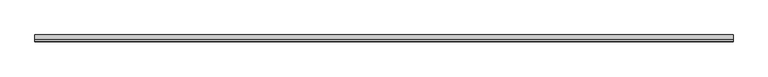
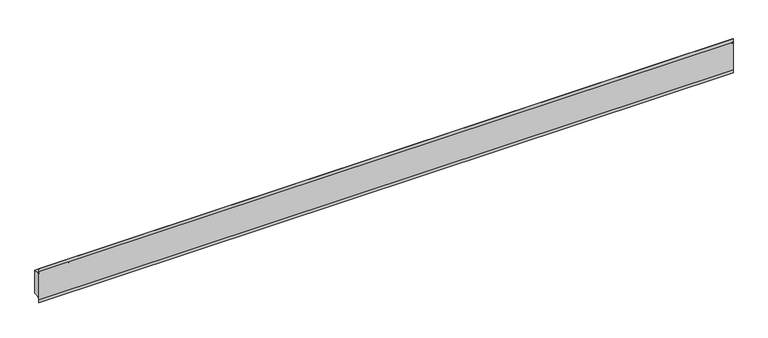
"""IFC4 building model written with IfcOpenShell, lengths in millimetres: proxy geometry."""

from ifc_helpers import new_model, si_unit, point, frame, frame_2d, origin, place, context, project, spatial, polyline, circle_curve, trimmed, segment, composite_curve, outline, extrude, source, transform, mapped, element, save
from ifc_brep_helpers import plane_surface, revolved_surface, advanced_brep


def generic_models_c17b22f0(model_context):
    return source(origin(), model_context, "Body", "SolidModel", [
        advanced_brep(
        [(1598.6385846, -28180.69409, 1536.4163574), (1598.6385846, -28180.69409, 1451.3059303), (1598.6385846, -28196.5284676, 1451.3059303), (1598.6385846, -28204.3526411, 1443.4817568), (1598.6385846, -28204.3538523, 1544.2405309), (1598.6385846, -28196.5284676, 1536.4163574), (3998.6385846, -28180.69409, 1536.4163574), (3998.6385846, -28196.5284676, 1536.4163574), (3998.6385846, -28204.3526411, 1544.2405309), (3998.6385846, -28204.3538523, 1443.4817568), (3998.6385846, -28196.5284676, 1451.3059303), (3998.6385846, -28180.69409, 1451.3059303)],
        [
            (0, 1),
            (1, 2),
            (2, 3, circle_curve(frame((1598.6385846, -28196.5284676, 1443.4817568), z_axis=(1.0, 0.0, 0.0), x_axis=(0.0, -1.0, 0.0)), 7.8241735)),
            (3, 4),
            (4, 5, circle_curve(frame((1598.6385846, -28196.5284676, 1544.2405309), z_axis=(1.0, 0.0, 0.0), x_axis=(0.0, -1.0, 0.0)), 7.8241735)),
            (5, 0),
            (6, 7),
            (7, 8, circle_curve(frame((3998.6385846, -28196.5284676, 1544.2405309), z_axis=(-1.0, 0.0, 0.0), x_axis=(0.0, -1.0, 0.0)), 7.8241735)),
            (8, 9),
            (9, 10, circle_curve(frame((3998.6385846, -28196.5284676, 1443.4817568), z_axis=(-1.0, 0.0, 0.0), x_axis=(0.0, -1.0, 0.0)), 7.8241735)),
            (10, 11),
            (11, 6),
            (0, 6),
            (11, 1),
            (3, 9),
            (8, 4),
            (5, 7),
            (10, 2),
        ],
        [
            plane_surface(frame((1598.6385846, -28154.3538523, -151.7660963), z_axis=(-1.0, 0.0, 0.0), x_axis=(0.0, 0.0, 1.0))),
            plane_surface(frame((3998.6385846, -28154.3538523, -151.7660963), z_axis=(1.0, 0.0, 0.0), x_axis=(0.0, 0.0, 1.0))),
            plane_surface(frame((1598.6385846, -28180.69409, 1536.4163574), z_axis=(0.0, 1.0, 0.0), x_axis=(1.0, 0.0, 0.0))),
            plane_surface(frame((1598.6385846, -28204.3538523, 1443.4817568), z_axis=(0.0, -1.0, 0.0), x_axis=(1.0, 0.0, 0.0))),
            plane_surface(frame((1598.6385846, -28196.5284676, 1536.4163574), z_axis=(0.0, 0.0, 1.0), x_axis=(1.0, 0.0, 0.0))),
            plane_surface(frame((1598.6385846, -28180.69409, 1451.3059303), z_axis=(0.0, 0.0, -1.0), x_axis=(1.0, 0.0, 0.0))),
            revolved_surface(polyline([(3998.6385846000003, -28204.352641100002, 1443.4817568), (1598.6385846, -28204.352641100002, 1443.4817568)]), (1598.6385846, -28196.5284676, 1443.4817568), (1.0, 0.0, 0.0)),
            revolved_surface(polyline([(3998.6385846000003, -28204.352641100002, 1544.2405309), (1598.6385846, -28204.352641100002, 1544.2405309)]), (1598.6385846, -28196.5284676, 1544.2405309), (1.0, 0.0, 0.0)),
        ],
        [
            (0, [[1, 2, 3, 4, 5, 6]]),
            (1, [[7, 8, 9, 10, 11, 12]]),
            (2, [[-1, 13, -12, 14]]),
            (3, [[-4, 15, -9, 16]]),
            (4, [[-6, 17, -7, -13]]),
            (5, [[-2, -14, -11, 18]]),
            (6, [[-3, -18, -10, -15]]),
            (7, [[-5, -16, -8, -17]]),
        ],
    ),
        extrude(outline(composite_curve([segment(polyline([(-28204.3538523, 1544.241742), (-28204.3538523, 1555.9700576), (-28203.3538523, 1555.9700576), (-28203.3538523, 1544.241742)]), True, "CONTINUOUS"), segment(trimmed(circle_curve(frame_2d((-28196.5284676, 1544.241742)), 6.8253847), [point((-28203.3538523, 1544.241742))], [point((-28196.5284676, 1537.4163574))], True, "CARTESIAN"), True, "CONTINUOUS"), segment(polyline([(-28196.5284676, 1537.4163574), (-28196.5284676, 1536.4163574)]), True, "CONTINUOUS"), segment(trimmed(circle_curve(frame_2d((-28196.5284676, 1544.241742)), 7.8253847), [point((-28196.5284676, 1536.4163574))], [point((-28204.3538523, 1544.241742))], False, "CARTESIAN"), True, "CONTINUOUS")], self_intersect=False)), frame((1598.6385846, 0.0, 0.0), z_axis=(1.0, 0.0, 0.0), x_axis=(0.0, 1.0, 0.0)), (0.0, 0.0, 1.0), 2400.0),
        extrude(outline(composite_curve([segment(trimmed(circle_curve(frame_2d((-28196.5284676, 1443.4805456)), 7.8253847), [point((-28204.3538523, 1443.4805456))], [point((-28196.5284676, 1451.3059303))], False, "CARTESIAN"), True, "CONTINUOUS"), segment(polyline([(-28196.5284676, 1451.3059303), (-28196.5284676, 1450.3059303)]), True, "CONTINUOUS"), segment(trimmed(circle_curve(frame_2d((-28196.5284676, 1443.4805456)), 6.8253847), [point((-28196.5284676, 1450.3059303))], [point((-28203.3538523, 1443.4805456))], True, "CARTESIAN"), True, "CONTINUOUS"), segment(polyline([(-28203.3538523, 1443.4805456), (-28203.3538523, 1431.75223), (-28204.3538523, 1431.75223), (-28204.3538523, 1443.4805456)]), True, "CONTINUOUS")], self_intersect=False)), frame((1598.6385846, 0.0, 0.0), z_axis=(1.0, 0.0, 0.0), x_axis=(0.0, 1.0, 0.0)), (0.0, 0.0, 1.0), 2400.0),
    ])


if __name__ == "__main__":
    model = new_model("IFC4")
    model_context = context("Model", 3, world=origin())
    ifc_project = project(units=[si_unit("LENGTHUNIT", "METRE", prefix="MILLI")], contexts=[model_context])
    site = spatial("IfcSite", under=ifc_project)
    building = spatial("IfcBuilding", under=site)
    placement = place(None, origin())
    generic_models_shape = generic_models_c17b22f0(model_context)
    element("IfcBuildingElementProxy", 1, Name="Generic Models", at=placement, inside=building, context=model_context, shape_type="MappedRepresentation", body=[
        mapped(generic_models_shape, transform((0.0, 0.0, 0.0), x_axis=(1.0, 0.0, 0.0), y_axis=(0.0, 1.0, 0.0), z_axis=(0.0, 0.0, 1.0))),
    ])
    save(model, "model.ifc")
